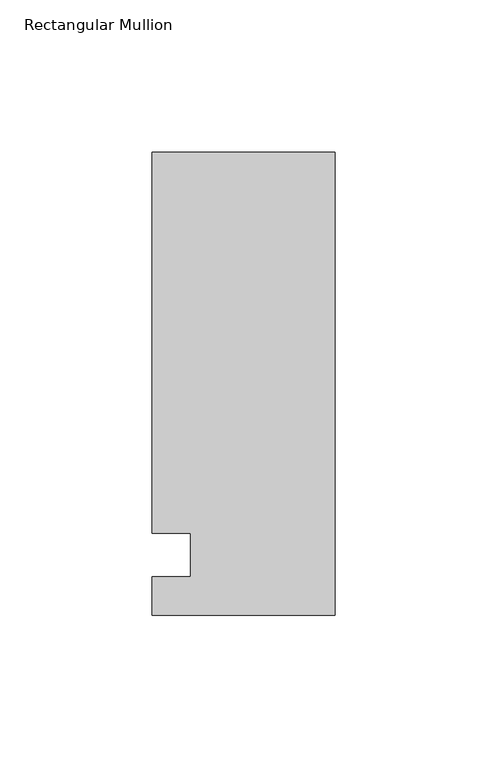
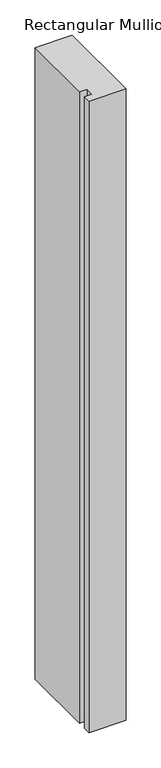
"""IFC4 building model written with IfcOpenShell, lengths in millimetres: member geometry, Rectangular Mullion."""

from ifc_helpers import new_model, si_unit, frame, origin, place, context, project, spatial, polyline, outline, extrude, source, transform, mapped, element, save


def rectangular_mullion_0d2a24c3(model_context):
    return source(origin(), model_context, "Body", "SweptSolid", [
        extrude(outline(polyline([(-60.325, 132.55625), (0.0, 132.55625), (0.0, -19.84375), (-60.325, -19.84375), (-60.325, -7.14375), (-47.625, -7.14375), (-47.625, 7.14375), (-60.325, 7.14375), (-60.325, 132.55625)])), frame((0.0, 0.0, -1091.0405973), z_axis=(0.0, 0.0, 1.0), x_axis=(1.0, 0.0, 0.0)), (0.0, 0.0, 1.0), 1091.0405973),
    ])


if __name__ == "__main__":
    model = new_model("IFC4")
    model_context = context("Model", 3, world=origin())
    ifc_project = project(units=[si_unit("LENGTHUNIT", "METRE", prefix="MILLI")], contexts=[model_context])
    site = spatial("IfcSite", under=ifc_project)
    building = spatial("IfcBuilding", under=site)
    placement = place(None, origin())
    rectangular_mullion_shape = rectangular_mullion_0d2a24c3(model_context)
    element("IfcMember", 1, ObjectType="Rectangular Mullion", at=placement, inside=building, context=model_context, shape_type="MappedRepresentation", body=[
        mapped(rectangular_mullion_shape, transform((0.0, 0.0, 0.0), x_axis=(1.0, 0.0, 0.0), y_axis=(0.0, 1.0, 0.0), z_axis=(0.0, 0.0, 1.0))),
    ])
    save(model, "model.ifc")
